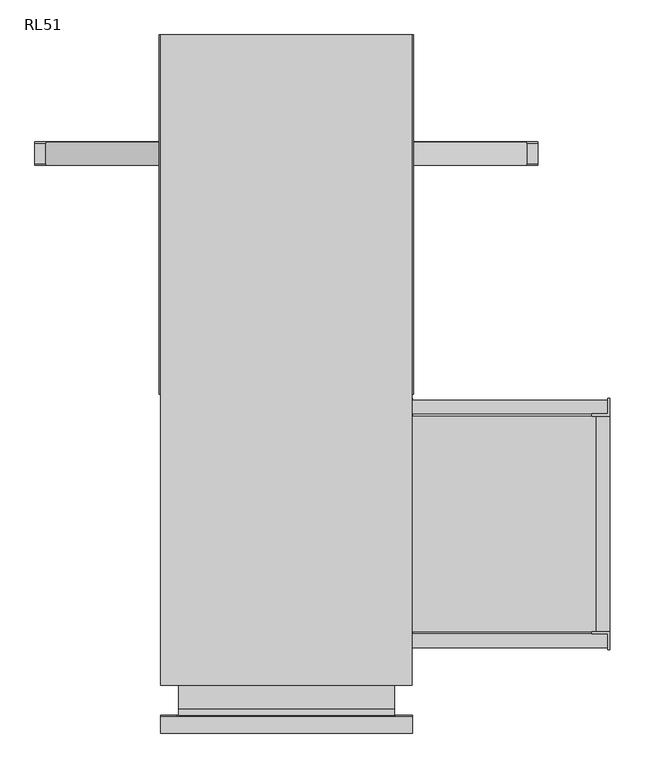
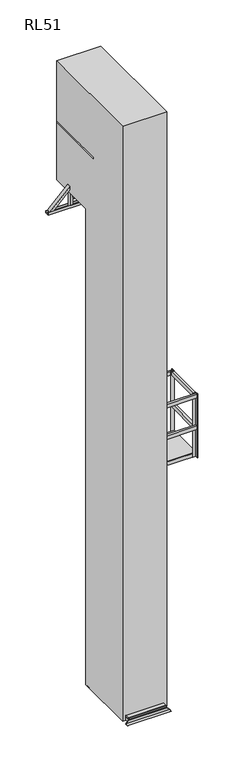
"""IFC4 building model written with IfcOpenShell, lengths in millimetres: proxy geometry, RL51."""

import ifcopenshell
import ifcopenshell.guid

model = None  # the IFC model being written
_history = None  # IfcOwnerHistory: only IFC2X3 demands one
_inside = {}  # id of a spatial element -> (the spatial element, [elements in it])
_under = {}  # id of a project, library or spatial element -> (it, [spatial elements below it])
_declared = {}  # id of a project -> (the project, [libraries it declares])
_typed = {}  # id of a type object -> (the type object, [elements of that type])
_made_of = {}  # id of a material, layer set ... -> (it, [elements and type objects made of it])


def new_model(schema):
    """Start an empty IFC model of exactly this schema.

    Asked for "IFC4X3", IfcOpenShell would pick the latest addendum, in which some entities
    have other attributes; the version numbers below select the first issue.
    IFC2X3 requires an IfcOwnerHistory on every rooted entity: one is made here for all.
    """
    global model, _history
    if schema == "IFC4X3":
        model = ifcopenshell.file(schema_version=(4, 3, 0, 0))
    else:
        model = ifcopenshell.file(schema=schema)
    _inside.clear()
    _under.clear()
    _declared.clear()
    _typed.clear()
    _made_of.clear()
    _history = None
    if model.schema == "IFC2X3":
        org = make("IfcOrganization", Name="unknown")
        user = make(
            "IfcPersonAndOrganization",
            ThePerson=make("IfcPerson", FamilyName="unknown"),
            TheOrganization=org,
        )
        app = make(
            "IfcApplication",
            ApplicationDeveloper=org,
            Version="unknown",
            ApplicationFullName="unknown",
            ApplicationIdentifier="unknown",
        )
        _history = make(
            "IfcOwnerHistory",
            OwningUser=user,
            OwningApplication=app,
            ChangeAction="ADDED",
            CreationDate=0,
        )
    return model


def make(cls, **values):
    """One entity of the class cls with the attributes given. An attribute that is None is left unset."""
    return model.create_entity(
        cls, **{name: value for name, value in values.items() if value is not None}
    )


def rooted(cls, **values):
    """An entity with a GlobalId (a new one), such as an element, a storey or a relation."""
    return make(cls, GlobalId=ifcopenshell.guid.new(), OwnerHistory=_history, **values)


def si_unit(unit_type, name, prefix=None):
    """IfcSIUnit, for example si_unit("LENGTHUNIT", "METRE", prefix="MILLI")."""
    return make("IfcSIUnit", UnitType=unit_type, Prefix=prefix, Name=name)


def assignment(units):
    """IfcUnitAssignment: the units of a project."""
    return None if units is None else make("IfcUnitAssignment", Units=units)


def point(xyz):
    """IfcCartesianPoint."""
    return None if xyz is None else make("IfcCartesianPoint", Coordinates=xyz)


def direction(xyz):
    """IfcDirection."""
    return None if xyz is None else make("IfcDirection", DirectionRatios=xyz)


def frame(location, z_axis=None, x_axis=None):
    """IfcAxis2Placement3D, a coordinate frame: its origin and axes. An axis left out is left unset."""
    return make(
        "IfcAxis2Placement3D",
        Location=point(location),
        Axis=direction(z_axis),
        RefDirection=direction(x_axis),
    )


def frame_2d(location, x_axis=None):
    """IfcAxis2Placement2D, a coordinate frame in the plane: its origin and x axis."""
    return make(
        "IfcAxis2Placement2D", Location=point(location), RefDirection=direction(x_axis)
    )


def origin():
    """The frame at (0, 0, 0) with its axes left unset."""
    return frame((0.0, 0.0, 0.0))


def origin_with_axes():
    """The frame at (0, 0, 0) with the z axis (0, 0, 1) and the x axis (1, 0, 0) written out."""
    return frame((0.0, 0.0, 0.0), z_axis=(0.0, 0.0, 1.0), x_axis=(1.0, 0.0, 0.0))


def place(relative_to, where):
    """IfcLocalPlacement: puts the frame where relative to a parent placement (None: the world)."""
    return make(
        "IfcLocalPlacement", PlacementRelTo=relative_to, RelativePlacement=where
    )


def context(
    kind, dimensions, precision=None, world=None, true_north=None, identifier=None
):
    """IfcGeometricRepresentationContext, for example the 3D "Model" context."""
    return make(
        "IfcGeometricRepresentationContext",
        ContextIdentifier=identifier,
        ContextType=kind,
        CoordinateSpaceDimension=dimensions,
        Precision=precision,
        WorldCoordinateSystem=world,
        TrueNorth=true_north,
    )


def project(units=None, contexts=None):
    """IfcProject with its units and contexts."""
    return rooted(
        "IfcProject",
        Name="project",
        RepresentationContexts=contexts,
        UnitsInContext=assignment(units),
    )


def spatial(cls, under=None, at=None, **own):
    """A site, building, storey or space (cls), placed at a placement, below another one or the project."""
    s = rooted(cls, ObjectPlacement=at, **own)
    if under is not None:
        _under.setdefault(under.id(), (under, []))[1].append(s)
    return s


def polyline(points):
    """IfcPolyline through the points."""
    return make("IfcPolyline", Points=[point(p) for p in points])


def circle_curve(where, radius):
    """IfcCircle in the frame where."""
    return make("IfcCircle", Position=where, Radius=radius)


def trimmed(basis, trim1, trim2, sense, master):
    """IfcTrimmedCurve: the piece of a basis curve between two trims."""
    return make(
        "IfcTrimmedCurve",
        BasisCurve=basis,
        Trim1=trim1,
        Trim2=trim2,
        SenseAgreement=sense,
        MasterRepresentation=master,
    )


def segment(curve, same_sense, transition):
    """IfcCompositeCurveSegment."""
    return make(
        "IfcCompositeCurveSegment",
        Transition=transition,
        SameSense=same_sense,
        ParentCurve=curve,
    )


def composite_curve(segments, self_intersect=None):
    """IfcCompositeCurve: segments joined end to end."""
    return make("IfcCompositeCurve", Segments=segments, SelfIntersect=self_intersect)


def outline(outer, holes=None, kind="AREA"):
    """IfcArbitraryClosedProfileDef: a profile drawn as a closed curve; with holes, ...WithVoids."""
    if holes is None:
        return make("IfcArbitraryClosedProfileDef", ProfileType=kind, OuterCurve=outer)
    return make(
        "IfcArbitraryProfileDefWithVoids",
        ProfileType=kind,
        OuterCurve=outer,
        InnerCurves=holes,
    )


def extrude(swept, where, along, depth):
    """IfcExtrudedAreaSolid: the profile swept, set in the frame where, extruded along a direction by depth."""
    return make(
        "IfcExtrudedAreaSolid",
        SweptArea=swept,
        Position=where,
        ExtrudedDirection=direction(along),
        Depth=depth,
    )


def faces_of(points, faces, orient=None, outer=None):
    """IfcFace entities. A face is a list of loops; a loop is a list of indices into points, from 0.

    orient and outer hold one flag for each loop. By default every Orientation is true, the
    first loop of a face is its IfcFaceOuterBound and the others are IfcFaceBound.
    """
    made = []
    for i, loops in enumerate(faces):
        bounds = []
        for j, loop in enumerate(loops):
            is_outer = j == 0 if outer is None else outer[i][j]
            bounds.append(
                make(
                    "IfcFaceOuterBound" if is_outer else "IfcFaceBound",
                    Bound=make("IfcPolyLoop", Polygon=[points[k] for k in loop]),
                    Orientation=True if orient is None else orient[i][j],
                )
            )
        made.append(make("IfcFace", Bounds=bounds))
    return made


def faceted_brep(points, faces, orient=None, outer=None, voids=None):
    """IfcFacetedBrep: a solid bounded by flat faces; with voids (closed shells), ...WithVoids."""
    shared = [point(p) for p in points]
    hull = make("IfcClosedShell", CfsFaces=faces_of(shared, faces, orient, outer))
    if voids is None:
        return make("IfcFacetedBrep", Outer=hull)
    return make(
        "IfcFacetedBrepWithVoids",
        Outer=hull,
        Voids=[
            make(cls, CfsFaces=faces_of(shared, fs, o, b)) for cls, fs, o, b in voids
        ],
    )


def shape(context_of_items, identifier, shape_type, items):
    """IfcShapeRepresentation: the items that make up one representation, for example the "Body"."""
    return make(
        "IfcShapeRepresentation",
        ContextOfItems=context_of_items,
        RepresentationIdentifier=identifier,
        RepresentationType=shape_type,
        Items=items,
    )


def source(mapping_origin, context_of_items, identifier, shape_type, items):
    """IfcRepresentationMap: a shape defined once, which mapped items show again and again."""
    return make(
        "IfcRepresentationMap",
        MappingOrigin=mapping_origin,
        MappedRepresentation=shape(context_of_items, identifier, shape_type, items),
    )


def transform(
    local_origin,
    x_axis=None,
    y_axis=None,
    z_axis=None,
    scale=None,
    scale2=None,
    scale3=None,
    uniform=True,
):
    """IfcCartesianTransformationOperator3D, or its non-uniform kind. x_axis, y_axis, z_axis: its Axis1, 2, 3."""
    if uniform:
        return make(
            "IfcCartesianTransformationOperator3D",
            Axis1=direction(x_axis),
            Axis2=direction(y_axis),
            LocalOrigin=point(local_origin),
            Scale=scale,
            Axis3=direction(z_axis),
        )
    return make(
        "IfcCartesianTransformationOperator3DnonUniform",
        Axis1=direction(x_axis),
        Axis2=direction(y_axis),
        LocalOrigin=point(local_origin),
        Scale=scale,
        Axis3=direction(z_axis),
        Scale2=scale2,
        Scale3=scale3,
    )


def mapped(mapping_source, mapping_target):
    """IfcMappedItem: shows the shape of a source again, moved by a transform."""
    return make(
        "IfcMappedItem", MappingSource=mapping_source, MappingTarget=mapping_target
    )


def made_of(thing, what):
    """Note that an element or type object is made of a material, layer set ...; save() writes the relation."""
    if what is not None:
        _made_of.setdefault(what.id(), (what, []))[1].append(thing)
    return thing


def element(
    cls,
    number,
    at=None,
    inside=None,
    cuts=None,
    type_object=None,
    material=None,
    context=None,
    identifier="Body",
    shape_type=None,
    held_by="IfcProductDefinitionShape",
    body=None,
    shapes=None,
    **own,
):
    """One element of the class cls, such as IfcWall. Its Tag is "e" and its number.

    at: its placement. inside: the storey or other place that contains it. cuts: it is an
    opening in that element (IfcRelVoidsElement). A single representation is given by context,
    identifier, shape_type and body (its items); several are given by shapes. held_by: the class
    of the entity that holds the representations. save() writes the other relations.
    """
    e = rooted(cls, Tag="e%d" % number, ObjectPlacement=at, **own)
    if body is not None:
        shapes = [shape(context, identifier, shape_type, body)]
    if shapes is not None:
        e.Representation = make(held_by, Representations=shapes)
    if inside is not None:
        _inside.setdefault(inside.id(), (inside, []))[1].append(e)
    if cuts is not None:
        rooted(
            "IfcRelVoidsElement", RelatingBuildingElement=cuts, RelatedOpeningElement=e
        )
    if type_object is not None:
        _typed.setdefault(type_object.id(), (type_object, []))[1].append(e)
    return made_of(e, material)


def aggregate(whole, parts):
    """IfcRelAggregates: a whole, such as a stair, and the parts it consists of."""
    return rooted("IfcRelAggregates", RelatingObject=whole, RelatedObjects=parts)


def save(model, path):
    """Write the relations noted so far, then the file.

    IfcRelAggregates (storeys below a building ...), IfcRelContainedInSpatialStructure (elements
    in a storey), IfcRelDefinesByType, IfcRelAssociatesMaterial and IfcRelDeclares: one each for
    every whole, place, type object, material and project.
    """
    for whole, parts in _under.values():
        aggregate(whole, parts)
    for where, things in _inside.values():
        rooted(
            "IfcRelContainedInSpatialStructure",
            RelatedElements=things,
            RelatingStructure=where,
        )
    for kind, things in _typed.values():
        rooted("IfcRelDefinesByType", RelatedObjects=things, RelatingType=kind)
    for what, things in _made_of.values():
        rooted("IfcRelAssociatesMaterial", RelatedObjects=things, RelatingMaterial=what)
    for by, libraries in _declared.values():
        rooted("IfcRelDeclares", RelatingContext=by, RelatedDefinitions=libraries)
    model.write(path)


def plane_surface(at):
    """IfcPlane: the flat surface through the origin of the frame at, square to its z axis."""
    return make("IfcPlane", Position=at)


def cylinder_surface(at, radius):
    """IfcCylindricalSurface: all points at the distance radius from the z axis of the frame at."""
    return make("IfcCylindricalSurface", Position=at, Radius=radius)


def advanced_brep(points, edges, surfaces, faces):
    """IfcAdvancedBrep: a solid bounded by faces that lie on surfaces and meet in shared edges.

    An edge is (start, end): straight between two places in points (the first is 0);
    or (start, end, curve); or (start, end, curve, False) where it runs against its curve.
    A face is (place in surfaces, loops), or (place, loops, False) where it looks against
    its surface's normal. A loop lists edges by number (the first is 1), with a minus sign
    where the edge is run from its end to its start. The first loop is the outer one.
    """
    corners = [point(p) for p in points]
    vertices = [make("IfcVertexPoint", VertexGeometry=c) for c in corners]
    made = []
    for start, end, *more in edges:
        made.append(
            make(
                "IfcEdgeCurve",
                EdgeStart=vertices[start],
                EdgeEnd=vertices[end],
                EdgeGeometry=more[0] if more else make("IfcPolyline", Points=[corners[start], corners[end]]),
                SameSense=more[1] if len(more) > 1 else True,
            )
        )
    hull = []
    for where, loops, *sense in faces:
        bounds = []
        for j, loop in enumerate(loops):
            ring = [make("IfcOrientedEdge", EdgeElement=made[abs(k) - 1], Orientation=k > 0) for k in loop]
            bounds.append(
                make(
                    "IfcFaceOuterBound" if j == 0 else "IfcFaceBound",
                    Bound=make("IfcEdgeLoop", EdgeList=ring),
                    Orientation=True,
                )
            )
        hull.append(make("IfcAdvancedFace", Bounds=bounds, FaceSurface=surfaces[where], SameSense=sense[0] if sense else True))
    return make("IfcAdvancedBrep", Outer=make("IfcClosedShell", CfsFaces=hull))


def rl51_604b768d(model_context):
    return source(origin(), model_context, "Body", "SolidModel", [
        extrude(outline(polyline([(300.5, -890.5), (-300.5, -890.5), (-300.5, 109.5), (300.5, 109.5), (300.5, -890.5)]), holes=[polyline([(262.5, 71.5), (-262.5, 71.5), (-262.5, -371.5), (262.5, -371.5), (262.5, 71.5)]), polyline([(262.5, -852.5), (262.5, -409.5), (-262.5, -409.5), (-262.5, -852.5), (262.5, -852.5)])]), origin_with_axes(), (0.0, 0.0, 1.0), 58.0),
        faceted_brep([(-350.5, 112.5, 3.0), (-350.5, 109.5, 3.0), (-303.5, 109.5, 50.0), (-303.5, 112.5, 50.0), (350.5, 109.5, 3.0), (350.5, 112.5, 3.0), (303.5, 112.5, 50.0), (303.5, 109.5, 50.0), (350.5, 159.5, 0.0), (350.5, 159.5, 3.0), (350.5, 109.5, 0.0), (-350.5, 159.5, 0.0), (-350.5, 109.5, 0.0), (-350.5, 159.5, 3.0)], [[[0, 1, 2, 3]], [[4, 5, 6, 7]], [[8, 9, 5, 4, 10]], [[11, 12, 1, 0, 13]], [[9, 8, 11, 13]], [[5, 9, 13, 0]], [[5, 0, 3, 6]], [[6, 3, 2, 7]], [[12, 10, 4, 7, 2, 1]], [[8, 10, 12, 11]]]),
        faceted_brep([(-350.5, -890.5, 3.0), (-350.5, -893.5, 3.0), (-303.5, -893.5, 50.0), (-303.5, -890.5, 50.0), (350.5, -893.5, 3.0), (350.5, -890.5, 3.0), (303.5, -890.5, 50.0), (303.5, -893.5, 50.0), (350.5, -940.5, 0.0), (350.5, -890.5, 0.0), (350.5, -940.5, 3.0), (-350.5, -940.5, 0.0), (-350.5, -940.5, 3.0), (-350.5, -890.5, 0.0)], [[[0, 1, 2, 3]], [[4, 5, 6, 7]], [[8, 9, 5, 4, 10]], [[11, 12, 1, 0, 13]], [[9, 8, 11, 13]], [[9, 13, 0, 3, 6, 5]], [[6, 3, 2, 7]], [[1, 4, 7, 2]], [[10, 4, 1, 12]], [[8, 10, 12, 11]]]),
        extrude(outline(polyline([(300.5, 91.5), (300.5, -872.5), (-300.5, -872.5), (-300.5, 91.5), (300.5, 91.5)])), frame((0.0, 0.0, 58.0), z_axis=(0.0, 0.0, 1.0), x_axis=(1.0, 0.0, 0.0)), (0.0, 0.0, 1.0), 18.5),
        extrude(outline(polyline([(300.5, -872.5), (300.5, -890.5), (-300.5, -890.5), (-300.5, -872.5), (300.5, -872.5)])), frame((0.0, 0.0, 58.0), z_axis=(0.0, 0.0, 1.0), x_axis=(1.0, 0.0, 0.0)), (0.0, 0.0, 1.0), 18.5),
        extrude(outline(polyline([(300.5, 109.5), (300.5, 91.5), (-300.5, 91.5), (-300.5, 109.5), (300.5, 109.5)])), frame((0.0, 0.0, 58.0), z_axis=(0.0, 0.0, 1.0), x_axis=(1.0, 0.0, 0.0)), (0.0, 0.0, 1.0), 18.5),
        extrude(outline(polyline([(900.5, -59.5), (900.5, -659.5), (300.5, -659.5), (300.5, -59.5), (900.5, -59.5)])), frame((0.0, 0.0, 3987.0), z_axis=(0.0, 0.0, 1.0), x_axis=(1.0, 0.0, 0.0)), (0.0, 0.0, 1.0), 13.0),
        extrude(outline(polyline([(900.5, -659.5), (862.5, -659.5), (862.5, -59.5), (900.5, -59.5), (900.5, -659.5)])), frame((0.0, 0.0, 4403.0), z_axis=(0.0, 0.0, 1.0), x_axis=(1.0, 0.0, 0.0)), (0.0, 0.0, 1.0), 58.0),
        extrude(outline(polyline([(894.5, -15.5), (894.5, -53.5), (306.5, -53.5), (306.5, -15.5), (894.5, -15.5)])), frame((0.0, 0.0, 4403.0), z_axis=(0.0, 0.0, 1.0), x_axis=(1.0, 0.0, 0.0)), (0.0, 0.0, 1.0), 58.0),
        extrude(outline(polyline([(894.5, -15.5), (894.5, -53.5), (306.5, -53.5), (306.5, -15.5), (894.5, -15.5)])), frame((0.0, 0.0, 4934.0), z_axis=(0.0, 0.0, 1.0), x_axis=(1.0, 0.0, 0.0)), (0.0, 0.0, 1.0), 58.0),
        extrude(outline(polyline([(900.5, -659.5), (862.5, -659.5), (862.5, -59.5), (900.5, -59.5), (900.5, -659.5)])), frame((0.0, 0.0, 4934.0), z_axis=(0.0, 0.0, 1.0), x_axis=(1.0, 0.0, 0.0)), (0.0, 0.0, 1.0), 58.0),
        extrude(outline(polyline([(850.5, -59.5), (850.5, -53.5), (894.5, -53.5), (894.5, -9.5), (900.5, -9.5), (900.5, -59.5), (850.5, -59.5)])), frame((0.0, 0.0, 3929.0), z_axis=(0.0, 0.0, 1.0), x_axis=(1.0, 0.0, 0.0)), (0.0, 0.0, 1.0), 1071.0),
        extrude(outline(polyline([(350.5, -659.5), (350.5, -665.5), (306.5, -665.5), (306.5, -709.5), (300.5, -709.5), (300.5, -659.5), (350.5, -659.5)])), frame((0.0, 0.0, 3929.0), z_axis=(0.0, 0.0, 1.0), x_axis=(1.0, 0.0, 0.0)), (0.0, 0.0, 1.0), 1071.0),
        extrude(outline(polyline([(850.5, -659.5), (900.5, -659.5), (900.5, -709.5), (894.5, -709.5), (894.5, -665.5), (850.5, -665.5), (850.5, -659.5)])), frame((0.0, 0.0, 3929.0), z_axis=(0.0, 0.0, 1.0), x_axis=(1.0, 0.0, 0.0)), (0.0, 0.0, 1.0), 1071.0),
        extrude(outline(polyline([(0.0, -50.0), (0.0, 0.0), (50.0, 0.0), (50.0, -5.0), (5.0, -5.0), (5.0, -50.0), (0.0, -50.0)])), frame((300.5, -9.5, 2949.0), z_axis=(0.0, -0.5466781976615285, 0.8373427901412556), x_axis=(1.0, 0.0, 0.0)), (0.0, 0.0, 1.0), 1188.9993103),
        extrude(outline(polyline([(350.5, -59.5), (300.5, -59.5), (300.5, -9.5), (306.5, -9.5), (306.5, -53.5), (350.5, -53.5), (350.5, -59.5)])), frame((0.0, 0.0, 3929.0), z_axis=(0.0, 0.0, 1.0), x_axis=(1.0, 0.0, 0.0)), (0.0, 0.0, 1.0), 1071.0),
        extrude(outline(polyline([(862.5, -59.5), (862.5, -97.5), (338.5, -97.5), (338.5, -59.5), (862.5, -59.5)])), frame((0.0, 0.0, 3929.0), z_axis=(0.0, 0.0, 1.0), x_axis=(1.0, 0.0, 0.0)), (0.0, 0.0, 1.0), 58.0),
        extrude(outline(polyline([(338.5, -659.5), (300.5, -659.5), (300.5, -59.5), (338.5, -59.5), (338.5, -659.5)])), frame((0.0, 0.0, 3929.0), z_axis=(0.0, 0.0, 1.0), x_axis=(1.0, 0.0, 0.0)), (0.0, 0.0, 1.0), 58.0),
        extrude(outline(polyline([(900.5, -659.5), (862.5, -659.5), (862.5, -59.5), (900.5, -59.5), (900.5, -659.5)])), frame((0.0, 0.0, 3929.0), z_axis=(0.0, 0.0, 1.0), x_axis=(1.0, 0.0, 0.0)), (0.0, 0.0, 1.0), 58.0),
        extrude(outline(polyline([(894.5, -621.5), (894.5, -659.5), (306.5, -659.5), (306.5, -621.5), (894.5, -621.5)])), frame((0.0, 0.0, 3929.0), z_axis=(0.0, 0.0, 1.0), x_axis=(1.0, 0.0, 0.0)), (0.0, 0.0, 1.0), 58.0),
        extrude(outline(polyline([(894.5, -665.5), (894.5, -703.5), (306.5, -703.5), (306.5, -665.5), (894.5, -665.5)])), frame((0.0, 0.0, 4403.0), z_axis=(0.0, 0.0, 1.0), x_axis=(1.0, 0.0, 0.0)), (0.0, 0.0, 1.0), 58.0),
        extrude(outline(polyline([(894.5, -665.5), (894.5, -703.5), (306.5, -703.5), (306.5, -665.5), (894.5, -665.5)])), frame((0.0, 0.0, 4934.0), z_axis=(0.0, 0.0, 1.0), x_axis=(1.0, 0.0, 0.0)), (0.0, 0.0, 1.0), 58.0),
        extrude(outline(polyline([(0.0, 2405.0), (0.0, 2347.0), (-5.0, 2347.0), (-5.0, 2400.0), (-91.0, 2400.0), (-91.0, 2405.0), (0.0, 2405.0)])), frame((-262.5, 0.0, 0.0), z_axis=(1.0, 0.0, 0.0), x_axis=(0.0, 1.0, 0.0)), (0.0, 0.0, 1.0), 525.0),
        extrude(outline(polyline([(262.5, -93.0), (-262.5, -93.0), (-262.5, -91.0), (262.5, -91.0), (262.5, -93.0)])), frame((0.0, 0.0, 110.0), z_axis=(0.0, 0.0, 1.0), x_axis=(1.0, 0.0, 0.0)), (0.0, 0.0, 1.0), 2295.0),
        extrude(outline(polyline([(262.5, -91.0), (204.5, -91.0), (204.5, -53.0), (262.5, -53.0), (262.5, -91.0)])), frame((0.0, 0.0, 110.0), z_axis=(0.0, 0.0, 1.0), x_axis=(1.0, 0.0, 0.0)), (0.0, 0.0, 1.0), 2285.0),
        extrude(outline(polyline([(-204.5, -91.0), (-262.5, -91.0), (-262.5, -53.0), (-204.5, -53.0), (-204.5, -91.0)])), frame((0.0, 0.0, 110.0), z_axis=(0.0, 0.0, 1.0), x_axis=(1.0, 0.0, 0.0)), (0.0, 0.0, 1.0), 2285.0),
        extrude(outline(composite_curve([segment(polyline([(-53.0, 7671.1346154), (-53.0, 7688.1346154)]), True, "CONTINUOUS"), segment(trimmed(circle_curve(frame_2d((-30.5, 7675.1634615)), 25.9711538), [point((-53.0, 7688.1346154))], [point((-8.0, 7688.1346154))], False, "CARTESIAN"), True, "CONTINUOUS"), segment(polyline([(-8.0, 7688.1346154), (-8.0, 7671.1346154), (-53.0, 7671.1346154)]), True, "CONTINUOUS")], self_intersect=False)), frame((-262.0, 0.0, 0.0), z_axis=(1.0, 0.0, 0.0), x_axis=(0.0, 1.0, 0.0)), (0.0, 0.0, 1.0), 524.0),
        extrude(outline(composite_curve([segment(polyline([(-53.0, 7372.2692308), (-53.0, 7389.2692308)]), True, "CONTINUOUS"), segment(trimmed(circle_curve(frame_2d((-30.5, 7376.2980769)), 25.9711538), [point((-53.0, 7389.2692308))], [point((-8.0, 7389.2692308))], False, "CARTESIAN"), True, "CONTINUOUS"), segment(polyline([(-8.0, 7389.2692308), (-8.0, 7372.2692308), (-53.0, 7372.2692308)]), True, "CONTINUOUS")], self_intersect=False)), frame((-262.0, 0.0, 0.0), z_axis=(1.0, 0.0, 0.0), x_axis=(0.0, 1.0, 0.0)), (0.0, 0.0, 1.0), 524.0),
        extrude(outline(composite_curve([segment(polyline([(-53.0, 7073.4038462), (-53.0, 7090.4038462)]), True, "CONTINUOUS"), segment(trimmed(circle_curve(frame_2d((-30.5, 7077.4326923)), 25.9711538), [point((-53.0, 7090.4038462))], [point((-8.0, 7090.4038462))], False, "CARTESIAN"), True, "CONTINUOUS"), segment(polyline([(-8.0, 7090.4038462), (-8.0, 7073.4038462), (-53.0, 7073.4038462)]), True, "CONTINUOUS")], self_intersect=False)), frame((-262.0, 0.0, 0.0), z_axis=(1.0, 0.0, 0.0), x_axis=(0.0, 1.0, 0.0)), (0.0, 0.0, 1.0), 524.0),
        extrude(outline(composite_curve([segment(polyline([(-53.0, 6774.5384615), (-53.0, 6791.5384615)]), True, "CONTINUOUS"), segment(trimmed(circle_curve(frame_2d((-30.5, 6778.5673077)), 25.9711538), [point((-53.0, 6791.5384615))], [point((-8.0, 6791.5384615))], False, "CARTESIAN"), True, "CONTINUOUS"), segment(polyline([(-8.0, 6791.5384615), (-8.0, 6774.5384615), (-53.0, 6774.5384615)]), True, "CONTINUOUS")], self_intersect=False)), frame((-262.0, 0.0, 0.0), z_axis=(1.0, 0.0, 0.0), x_axis=(0.0, 1.0, 0.0)), (0.0, 0.0, 1.0), 524.0),
        extrude(outline(composite_curve([segment(polyline([(-53.0, 6475.6730769), (-53.0, 6492.6730769)]), True, "CONTINUOUS"), segment(trimmed(circle_curve(frame_2d((-30.5, 6479.7019231)), 25.9711538), [point((-53.0, 6492.6730769))], [point((-8.0, 6492.6730769))], False, "CARTESIAN"), True, "CONTINUOUS"), segment(polyline([(-8.0, 6492.6730769), (-8.0, 6475.6730769), (-53.0, 6475.6730769)]), True, "CONTINUOUS")], self_intersect=False)), frame((-262.0, 0.0, 0.0), z_axis=(1.0, 0.0, 0.0), x_axis=(0.0, 1.0, 0.0)), (0.0, 0.0, 1.0), 524.0),
        extrude(outline(composite_curve([segment(polyline([(-53.0, 6176.8076923), (-53.0, 6193.8076923)]), True, "CONTINUOUS"), segment(trimmed(circle_curve(frame_2d((-30.5, 6180.8365385)), 25.9711538), [point((-53.0, 6193.8076923))], [point((-8.0, 6193.8076923))], False, "CARTESIAN"), True, "CONTINUOUS"), segment(polyline([(-8.0, 6193.8076923), (-8.0, 6176.8076923), (-53.0, 6176.8076923)]), True, "CONTINUOUS")], self_intersect=False)), frame((-262.0, 0.0, 0.0), z_axis=(1.0, 0.0, 0.0), x_axis=(0.0, 1.0, 0.0)), (0.0, 0.0, 1.0), 524.0),
        extrude(outline(composite_curve([segment(polyline([(-53.0, 5877.9423077), (-53.0, 5894.9423077)]), True, "CONTINUOUS"), segment(trimmed(circle_curve(frame_2d((-30.5, 5881.9711538)), 25.9711538), [point((-53.0, 5894.9423077))], [point((-8.0, 5894.9423077))], False, "CARTESIAN"), True, "CONTINUOUS"), segment(polyline([(-8.0, 5894.9423077), (-8.0, 5877.9423077), (-53.0, 5877.9423077)]), True, "CONTINUOUS")], self_intersect=False)), frame((-262.0, 0.0, 0.0), z_axis=(1.0, 0.0, 0.0), x_axis=(0.0, 1.0, 0.0)), (0.0, 0.0, 1.0), 524.0),
        extrude(outline(composite_curve([segment(polyline([(-53.0, 5579.0769231), (-53.0, 5596.0769231)]), True, "CONTINUOUS"), segment(trimmed(circle_curve(frame_2d((-30.5, 5583.1057692)), 25.9711538), [point((-53.0, 5596.0769231))], [point((-8.0, 5596.0769231))], False, "CARTESIAN"), True, "CONTINUOUS"), segment(polyline([(-8.0, 5596.0769231), (-8.0, 5579.0769231), (-53.0, 5579.0769231)]), True, "CONTINUOUS")], self_intersect=False)), frame((-262.0, 0.0, 0.0), z_axis=(1.0, 0.0, 0.0), x_axis=(0.0, 1.0, 0.0)), (0.0, 0.0, 1.0), 524.0),
        extrude(outline(composite_curve([segment(polyline([(-53.0, 5280.2115385), (-53.0, 5297.2115385)]), True, "CONTINUOUS"), segment(trimmed(circle_curve(frame_2d((-30.5, 5284.2403846)), 25.9711538), [point((-53.0, 5297.2115385))], [point((-8.0, 5297.2115385))], False, "CARTESIAN"), True, "CONTINUOUS"), segment(polyline([(-8.0, 5297.2115385), (-8.0, 5280.2115385), (-53.0, 5280.2115385)]), True, "CONTINUOUS")], self_intersect=False)), frame((-262.0, 0.0, 0.0), z_axis=(1.0, 0.0, 0.0), x_axis=(0.0, 1.0, 0.0)), (0.0, 0.0, 1.0), 524.0),
        extrude(outline(composite_curve([segment(polyline([(-53.0, 4981.3461538), (-53.0, 4998.3461538)]), True, "CONTINUOUS"), segment(trimmed(circle_curve(frame_2d((-30.5, 4985.375)), 25.9711538), [point((-53.0, 4998.3461538))], [point((-8.0, 4998.3461538))], False, "CARTESIAN"), True, "CONTINUOUS"), segment(polyline([(-8.0, 4998.3461538), (-8.0, 4981.3461538), (-53.0, 4981.3461538)]), True, "CONTINUOUS")], self_intersect=False)), frame((-262.0, 0.0, 0.0), z_axis=(1.0, 0.0, 0.0), x_axis=(0.0, 1.0, 0.0)), (0.0, 0.0, 1.0), 524.0),
        extrude(outline(composite_curve([segment(polyline([(-53.0, 4682.4807692), (-53.0, 4699.4807692)]), True, "CONTINUOUS"), segment(trimmed(circle_curve(frame_2d((-30.5, 4686.5096154)), 25.9711538), [point((-53.0, 4699.4807692))], [point((-8.0, 4699.4807692))], False, "CARTESIAN"), True, "CONTINUOUS"), segment(polyline([(-8.0, 4699.4807692), (-8.0, 4682.4807692), (-53.0, 4682.4807692)]), True, "CONTINUOUS")], self_intersect=False)), frame((-262.0, 0.0, 0.0), z_axis=(1.0, 0.0, 0.0), x_axis=(0.0, 1.0, 0.0)), (0.0, 0.0, 1.0), 524.0),
        extrude(outline(composite_curve([segment(polyline([(-53.0, 4383.6153846), (-53.0, 4400.6153846)]), True, "CONTINUOUS"), segment(trimmed(circle_curve(frame_2d((-30.5, 4387.6442308)), 25.9711538), [point((-53.0, 4400.6153846))], [point((-8.0, 4400.6153846))], False, "CARTESIAN"), True, "CONTINUOUS"), segment(polyline([(-8.0, 4400.6153846), (-8.0, 4383.6153846), (-53.0, 4383.6153846)]), True, "CONTINUOUS")], self_intersect=False)), frame((-262.0, 0.0, 0.0), z_axis=(1.0, 0.0, 0.0), x_axis=(0.0, 1.0, 0.0)), (0.0, 0.0, 1.0), 524.0),
        extrude(outline(composite_curve([segment(polyline([(-53.0, 4084.75), (-53.0, 4101.75)]), True, "CONTINUOUS"), segment(trimmed(circle_curve(frame_2d((-30.5, 4088.7788462)), 25.9711538), [point((-53.0, 4101.75))], [point((-8.0, 4101.75))], False, "CARTESIAN"), True, "CONTINUOUS"), segment(polyline([(-8.0, 4101.75), (-8.0, 4084.75), (-53.0, 4084.75)]), True, "CONTINUOUS")], self_intersect=False)), frame((-262.0, 0.0, 0.0), z_axis=(1.0, 0.0, 0.0), x_axis=(0.0, 1.0, 0.0)), (0.0, 0.0, 1.0), 524.0),
        extrude(outline(composite_curve([segment(polyline([(-53.0, 3785.8846154), (-53.0, 3802.8846154)]), True, "CONTINUOUS"), segment(trimmed(circle_curve(frame_2d((-30.5, 3789.9134615)), 25.9711538), [point((-53.0, 3802.8846154))], [point((-8.0, 3802.8846154))], False, "CARTESIAN"), True, "CONTINUOUS"), segment(polyline([(-8.0, 3802.8846154), (-8.0, 3785.8846154), (-53.0, 3785.8846154)]), True, "CONTINUOUS")], self_intersect=False)), frame((-262.0, 0.0, 0.0), z_axis=(1.0, 0.0, 0.0), x_axis=(0.0, 1.0, 0.0)), (0.0, 0.0, 1.0), 524.0),
        extrude(outline(composite_curve([segment(polyline([(-53.0, 3487.0192308), (-53.0, 3504.0192308)]), True, "CONTINUOUS"), segment(trimmed(circle_curve(frame_2d((-30.5, 3491.0480769)), 25.9711538), [point((-53.0, 3504.0192308))], [point((-8.0, 3504.0192308))], False, "CARTESIAN"), True, "CONTINUOUS"), segment(polyline([(-8.0, 3504.0192308), (-8.0, 3487.0192308), (-53.0, 3487.0192308)]), True, "CONTINUOUS")], self_intersect=False)), frame((-262.0, 0.0, 0.0), z_axis=(1.0, 0.0, 0.0), x_axis=(0.0, 1.0, 0.0)), (0.0, 0.0, 1.0), 524.0),
        extrude(outline(composite_curve([segment(polyline([(-53.0, 3188.1538462), (-53.0, 3205.1538462)]), True, "CONTINUOUS"), segment(trimmed(circle_curve(frame_2d((-30.5, 3192.1826923)), 25.9711538), [point((-53.0, 3205.1538462))], [point((-8.0, 3205.1538462))], False, "CARTESIAN"), True, "CONTINUOUS"), segment(polyline([(-8.0, 3205.1538462), (-8.0, 3188.1538462), (-53.0, 3188.1538462)]), True, "CONTINUOUS")], self_intersect=False)), frame((-262.0, 0.0, 0.0), z_axis=(1.0, 0.0, 0.0), x_axis=(0.0, 1.0, 0.0)), (0.0, 0.0, 1.0), 524.0),
        extrude(outline(composite_curve([segment(polyline([(-53.0, 2889.2884615), (-53.0, 2906.2884615)]), True, "CONTINUOUS"), segment(trimmed(circle_curve(frame_2d((-30.5, 2893.3173077)), 25.9711538), [point((-53.0, 2906.2884615))], [point((-8.0, 2906.2884615))], False, "CARTESIAN"), True, "CONTINUOUS"), segment(polyline([(-8.0, 2906.2884615), (-8.0, 2889.2884615), (-53.0, 2889.2884615)]), True, "CONTINUOUS")], self_intersect=False)), frame((-262.0, 0.0, 0.0), z_axis=(1.0, 0.0, 0.0), x_axis=(0.0, 1.0, 0.0)), (0.0, 0.0, 1.0), 524.0),
        extrude(outline(composite_curve([segment(polyline([(-53.0, 2590.4230769), (-53.0, 2607.4230769)]), True, "CONTINUOUS"), segment(trimmed(circle_curve(frame_2d((-30.5, 2594.4519231)), 25.9711538), [point((-53.0, 2607.4230769))], [point((-8.0, 2607.4230769))], False, "CARTESIAN"), True, "CONTINUOUS"), segment(polyline([(-8.0, 2607.4230769), (-8.0, 2590.4230769), (-53.0, 2590.4230769)]), True, "CONTINUOUS")], self_intersect=False)), frame((-262.0, 0.0, 0.0), z_axis=(1.0, 0.0, 0.0), x_axis=(0.0, 1.0, 0.0)), (0.0, 0.0, 1.0), 524.0),
        extrude(outline(composite_curve([segment(polyline([(-53.0, 2291.5576923), (-53.0, 2308.5576923)]), True, "CONTINUOUS"), segment(trimmed(circle_curve(frame_2d((-30.5, 2295.5865385)), 25.9711538), [point((-53.0, 2308.5576923))], [point((-8.0, 2308.5576923))], False, "CARTESIAN"), True, "CONTINUOUS"), segment(polyline([(-8.0, 2308.5576923), (-8.0, 2291.5576923), (-53.0, 2291.5576923)]), True, "CONTINUOUS")], self_intersect=False)), frame((-262.0, 0.0, 0.0), z_axis=(1.0, 0.0, 0.0), x_axis=(0.0, 1.0, 0.0)), (0.0, 0.0, 1.0), 524.0),
        extrude(outline(composite_curve([segment(polyline([(-53.0, 1992.6923077), (-53.0, 2009.6923077)]), True, "CONTINUOUS"), segment(trimmed(circle_curve(frame_2d((-30.5, 1996.7211538)), 25.9711538), [point((-53.0, 2009.6923077))], [point((-8.0, 2009.6923077))], False, "CARTESIAN"), True, "CONTINUOUS"), segment(polyline([(-8.0, 2009.6923077), (-8.0, 1992.6923077), (-53.0, 1992.6923077)]), True, "CONTINUOUS")], self_intersect=False)), frame((-262.0, 0.0, 0.0), z_axis=(1.0, 0.0, 0.0), x_axis=(0.0, 1.0, 0.0)), (0.0, 0.0, 1.0), 524.0),
        extrude(outline(composite_curve([segment(polyline([(-53.0, 1693.8269231), (-53.0, 1710.8269231)]), True, "CONTINUOUS"), segment(trimmed(circle_curve(frame_2d((-30.5, 1697.8557692)), 25.9711538), [point((-53.0, 1710.8269231))], [point((-8.0, 1710.8269231))], False, "CARTESIAN"), True, "CONTINUOUS"), segment(polyline([(-8.0, 1710.8269231), (-8.0, 1693.8269231), (-53.0, 1693.8269231)]), True, "CONTINUOUS")], self_intersect=False)), frame((-262.0, 0.0, 0.0), z_axis=(1.0, 0.0, 0.0), x_axis=(0.0, 1.0, 0.0)), (0.0, 0.0, 1.0), 524.0),
        extrude(outline(composite_curve([segment(polyline([(-53.0, 1394.9615385), (-53.0, 1411.9615385)]), True, "CONTINUOUS"), segment(trimmed(circle_curve(frame_2d((-30.5, 1398.9903846)), 25.9711538), [point((-53.0, 1411.9615385))], [point((-8.0, 1411.9615385))], False, "CARTESIAN"), True, "CONTINUOUS"), segment(polyline([(-8.0, 1411.9615385), (-8.0, 1394.9615385), (-53.0, 1394.9615385)]), True, "CONTINUOUS")], self_intersect=False)), frame((-262.0, 0.0, 0.0), z_axis=(1.0, 0.0, 0.0), x_axis=(0.0, 1.0, 0.0)), (0.0, 0.0, 1.0), 524.0),
        extrude(outline(composite_curve([segment(polyline([(-53.0, 1096.0961538), (-53.0, 1113.0961538)]), True, "CONTINUOUS"), segment(trimmed(circle_curve(frame_2d((-30.5, 1100.125)), 25.9711538), [point((-53.0, 1113.0961538))], [point((-8.0, 1113.0961538))], False, "CARTESIAN"), True, "CONTINUOUS"), segment(polyline([(-8.0, 1113.0961538), (-8.0, 1096.0961538), (-53.0, 1096.0961538)]), True, "CONTINUOUS")], self_intersect=False)), frame((-262.0, 0.0, 0.0), z_axis=(1.0, 0.0, 0.0), x_axis=(0.0, 1.0, 0.0)), (0.0, 0.0, 1.0), 524.0),
        extrude(outline(composite_curve([segment(polyline([(-53.0, 797.2307692), (-53.0, 814.2307692)]), True, "CONTINUOUS"), segment(trimmed(circle_curve(frame_2d((-30.5, 801.2596154)), 25.9711538), [point((-53.0, 814.2307692))], [point((-8.0, 814.2307692))], False, "CARTESIAN"), True, "CONTINUOUS"), segment(polyline([(-8.0, 814.2307692), (-8.0, 797.2307692), (-53.0, 797.2307692)]), True, "CONTINUOUS")], self_intersect=False)), frame((-262.0, 0.0, 0.0), z_axis=(1.0, 0.0, 0.0), x_axis=(0.0, 1.0, 0.0)), (0.0, 0.0, 1.0), 524.0),
        extrude(outline(composite_curve([segment(polyline([(-53.0, 498.3653846), (-53.0, 515.3653846)]), True, "CONTINUOUS"), segment(trimmed(circle_curve(frame_2d((-30.5, 502.3942308)), 25.9711538), [point((-53.0, 515.3653846))], [point((-8.0, 515.3653846))], False, "CARTESIAN"), True, "CONTINUOUS"), segment(polyline([(-8.0, 515.3653846), (-8.0, 498.3653846), (-53.0, 498.3653846)]), True, "CONTINUOUS")], self_intersect=False)), frame((-262.0, 0.0, 0.0), z_axis=(1.0, 0.0, 0.0), x_axis=(0.0, 1.0, 0.0)), (0.0, 0.0, 1.0), 524.0),
        extrude(outline(composite_curve([segment(polyline([(-53.0, 7970.0), (-53.0, 7987.0)]), True, "CONTINUOUS"), segment(trimmed(circle_curve(frame_2d((-30.5, 7974.0288462)), 25.9711538), [point((-53.0, 7987.0))], [point((-8.0, 7987.0))], False, "CARTESIAN"), True, "CONTINUOUS"), segment(polyline([(-8.0, 7987.0), (-8.0, 7970.0), (-53.0, 7970.0)]), True, "CONTINUOUS")], self_intersect=False)), frame((-262.0, 0.0, 0.0), z_axis=(1.0, 0.0, 0.0), x_axis=(0.0, 1.0, 0.0)), (0.0, 0.0, 1.0), 524.0),
        extrude(outline(composite_curve([segment(polyline([(-53.0, 199.5), (-53.0, 216.5)]), True, "CONTINUOUS"), segment(trimmed(circle_curve(frame_2d((-30.5, 203.5288462)), 25.9711538), [point((-53.0, 216.5))], [point((-8.0, 216.5))], False, "CARTESIAN"), True, "CONTINUOUS"), segment(polyline([(-8.0, 216.5), (-8.0, 199.5), (-53.0, 199.5)]), True, "CONTINUOUS")], self_intersect=False)), frame((-262.0, 0.0, 0.0), z_axis=(1.0, 0.0, 0.0), x_axis=(0.0, 1.0, 0.0)), (0.0, 0.0, 1.0), 524.0),
        extrude(outline(composite_curve([segment(trimmed(circle_curve(frame_2d((303.0, -194.5)), 4.0), [point((307.0, -194.5))], [point((299.0, -194.5))], False, "CARTESIAN"), True, "CONTINUOUS"), segment(trimmed(circle_curve(frame_2d((303.0, -194.5)), 4.0), [point((299.0, -194.5))], [point((307.0, -194.5))], False, "CARTESIAN"), True, "CONTINUOUS")], self_intersect=False)), frame((0.0, 0.0, 224.5), z_axis=(0.0, 0.0, 1.0), x_axis=(1.0, 0.0, 0.0)), (0.0, 0.0, 1.0), 8755.5),
        extrude(outline(polyline([(-219.5, 244.5), (-199.5, 264.5), (-59.5, 264.5), (-59.5, 184.5), (-199.5, 184.5), (-219.5, 204.5), (-219.5, 244.5)])), frame((303.0, 0.0, 0.0), z_axis=(1.0, 0.0, 0.0), x_axis=(0.0, 1.0, 0.0)), (0.0, 0.0, 1.0), 6.0),
        extrude(outline(polyline([(-219.5, 9000.0), (-199.5, 9020.0), (-59.5, 9020.0), (-59.5, 8940.0), (-199.5, 8940.0), (-219.5, 8960.0), (-219.5, 9000.0)])), frame((303.0, 0.0, 0.0), z_axis=(1.0, 0.0, 0.0), x_axis=(0.0, 1.0, 0.0)), (0.0, 0.0, 1.0), 6.0),
        extrude(outline(polyline([(300.0, -59.5), (262.0, -59.5), (262.0, -1.5), (300.0, -1.5), (300.0, -59.5)])), frame((0.0, 0.0, 79.5), z_axis=(0.0, 0.0, 1.0), x_axis=(1.0, 0.0, 0.0)), (0.0, 0.0, 1.0), 8970.5),
        extrude(outline(polyline([(-262.0, -59.5), (-300.0, -59.5), (-300.0, -1.5), (-262.0, -1.5), (-262.0, -59.5)])), frame((0.0, 0.0, 79.5), z_axis=(0.0, 0.0, 1.0), x_axis=(1.0, 0.0, 0.0)), (0.0, 0.0, 1.0), 8970.5),
        faceted_brep([(-303.5, -250.5, 76.5), (-250.5, -250.5, 76.5), (-250.5, -250.5, 79.5), (-300.5, -250.5, 79.5), (-303.5, -250.5, 79.5), (-300.5, 109.5, 79.5), (-250.5, 109.5, 79.5), (-250.5, 109.5, 76.5), (-303.5, 109.5, 76.5), (-303.5, 109.5, 79.5), (-300.5, -203.5, 126.5), (-300.5, 62.5, 126.5), (-303.5, 62.5, 126.5), (-303.5, -203.5, 126.5)], [[[0, 1, 2, 3, 4]], [[5, 6, 7, 8, 9]], [[10, 11, 12, 13]], [[8, 0, 4, 13, 12, 9]], [[1, 0, 8, 7]], [[2, 1, 7, 6]], [[3, 2, 6, 5]], [[3, 5, 11, 10]], [[5, 9, 12, 11]], [[4, 3, 10, 13]]]),
        faceted_brep([(300.5, -250.5, 79.5), (250.5, -250.5, 79.5), (250.5, -250.5, 76.5), (303.5, -250.5, 76.5), (303.5, -250.5, 79.5), (303.5, 109.5, 76.5), (250.5, 109.5, 76.5), (250.5, 109.5, 79.5), (300.5, 109.5, 79.5), (303.5, 109.5, 79.5), (303.5, 62.5, 126.5), (303.5, -203.5, 126.5), (300.5, 62.5, 126.5), (300.5, -203.5, 126.5)], [[[0, 1, 2, 3, 4]], [[5, 6, 7, 8, 9]], [[1, 0, 8, 7]], [[2, 1, 7, 6]], [[3, 2, 6, 5]], [[3, 5, 9, 10, 11, 4]], [[11, 10, 12, 13]], [[8, 0, 13, 12]], [[9, 8, 12, 10]], [[0, 4, 11, 13]]]),
        advanced_brep(
        [(309.5, 1000.0, 8486.25), (309.5, 1000.0, 8459.75), (309.5, 41.3809842, 8486.25), (309.5, 41.3809842, 8459.75), (294.5187617, 41.3809842, 8493.0)],
        [
            (0, 1),
            (1, 0, circle_curve(frame((294.5187617, 1000.0, 8473.0), z_axis=(0.0, 1.0, 0.0), x_axis=(-1.0, 0.0, 0.0)), 20.0)),
            (0, 2),
            (2, 3),
            (3, 1),
            (3, 4, circle_curve(frame((294.5187617, 41.3809842, 8473.0), z_axis=(0.0, 1.0, 0.0), x_axis=(-1.0, 0.0, 0.0)), 20.0)),
            (4, 2, circle_curve(frame((294.5187617, 41.3809842, 8473.0), z_axis=(0.0, 1.0, 0.0), x_axis=(-1.0, 0.0, 0.0)), 20.0)),
        ],
        [
            plane_surface(frame((274.5187617, 1000.0, 8473.0), z_axis=(0.0, 1.0, 0.0), x_axis=(0.0, 0.0, 1.0))),
            plane_surface(frame((309.5, 0.0, 8459.75), z_axis=(1.0, 0.0, 0.0), x_axis=(0.0, 1.0, 0.0))),
            cylinder_surface(frame((294.5187617, 1000.0, 8473.0), z_axis=(0.0, -1.0, 0.0), x_axis=(-1.0, 0.0, 0.0)), 20.0),
            plane_surface(frame((372.2487373, 41.3809842, 8000.0), z_axis=(0.0, -1.0, 0.0), x_axis=(-1.0, 0.0, 0.0))),
        ],
        [
            (0, [[1, 2]]),
            (1, [[-1, 3, 4, 5]]),
            (2, [[-2, -5, 6, 7, -3]]),
            (3, [[-4, -7, -6]]),
        ],
    ),
        advanced_brep(
        [(-309.5, 1000.0, 8486.25), (-309.5, 1000.0, 8459.75), (-309.5, 41.3809842, 8459.75), (-309.5, 41.3809842, 8486.25), (-294.5187617, 41.3809842, 8493.0)],
        [
            (0, 1, circle_curve(frame((-294.5187617, 1000.0, 8473.0), z_axis=(0.0, 1.0, 0.0), x_axis=(1.0, 0.0, 0.0)), 20.0)),
            (1, 0),
            (1, 2),
            (2, 3),
            (3, 0),
            (3, 4, circle_curve(frame((-294.5187617, 41.3809842, 8473.0), z_axis=(0.0, 1.0, 0.0), x_axis=(1.0, 0.0, 0.0)), 20.0)),
            (4, 2, circle_curve(frame((-294.5187617, 41.3809842, 8473.0), z_axis=(0.0, 1.0, 0.0), x_axis=(1.0, 0.0, 0.0)), 20.0)),
        ],
        [
            plane_surface(frame((-309.5, 1000.0, 8459.75), z_axis=(0.0, 1.0, 0.0), x_axis=(0.0, 0.0, 1.0))),
            plane_surface(frame((-309.5, 0.0, 8486.25), z_axis=(-1.0, 0.0, 0.0), x_axis=(0.0, 1.0, 0.0))),
            cylinder_surface(frame((-294.5187617, 1000.0, 8473.0), z_axis=(0.0, -1.0, 0.0), x_axis=(1.0, 0.0, 0.0)), 20.0),
            plane_surface(frame((372.2487373, 41.3809842, 8000.0), z_axis=(0.0, -1.0, 0.0), x_axis=(-1.0, 0.0, 0.0))),
        ],
        [
            (0, [[1, 2]]),
            (1, [[-2, 3, 4, 5]]),
            (2, [[-1, -5, 6, 7, -3]]),
            (3, [[-4, -7, -6]]),
        ],
    ),
        advanced_brep(
        [(307.5, 0.0, 8961.43534), (307.5, 0.0, 8943.0), (349.5, 0.0, 8943.0), (349.5, 0.0, 8961.43534), (328.5, 0.0, 9000.0), (349.5, 1000.0, 8961.43534), (349.5, 1000.0, 8943.0), (307.5, 1000.0, 8943.0), (307.5, 1000.0, 8961.43534)],
        [
            (0, 1),
            (1, 2),
            (2, 3),
            (3, 4, circle_curve(frame((328.5, 0.0, 8975.0), z_axis=(0.0, -1.0, 0.0), x_axis=(-1.0, 0.0, 0.0)), 25.0)),
            (4, 0, circle_curve(frame((328.5, 0.0, 8975.0), z_axis=(0.0, -1.0, 0.0), x_axis=(-1.0, 0.0, 0.0)), 25.0)),
            (5, 6),
            (6, 7),
            (7, 8),
            (8, 5, circle_curve(frame((328.5, 1000.0, 8975.0), z_axis=(0.0, 1.0, 0.0), x_axis=(-1.0, 0.0, 0.0)), 25.0)),
            (2, 6),
            (5, 3),
            (1, 7),
            (0, 8),
        ],
        [
            plane_surface(frame((303.5, 0.0, 8975.0), z_axis=(0.0, -1.0, 0.0), x_axis=(0.0, 0.0, -1.0))),
            plane_surface(frame((303.5, 1000.0, 8975.0), z_axis=(0.0, 1.0, 0.0), x_axis=(0.0, 0.0, 1.0))),
            plane_surface(frame((349.5, 0.0, 8943.0), z_axis=(1.0, 0.0, 0.0), x_axis=(0.0, 1.0, 0.0))),
            plane_surface(frame((307.5, 0.0, 8943.0), z_axis=(0.0, 0.0, -1.0), x_axis=(0.0, 1.0, 0.0))),
            plane_surface(frame((307.5, 0.0, 8961.43534), z_axis=(-1.0, 0.0, 0.0), x_axis=(0.0, 1.0, 0.0))),
            cylinder_surface(frame((328.5, 1000.0, 8975.0), z_axis=(0.0, -1.0, 0.0), x_axis=(-1.0, 0.0, 0.0)), 25.0),
        ],
        [
            (0, [[1, 2, 3, 4, 5]]),
            (1, [[6, 7, 8, 9]]),
            (2, [[-3, 10, -6, 11]]),
            (3, [[-2, 12, -7, -10]]),
            (4, [[-1, 13, -8, -12]]),
            (5, [[-9, -13, -5, -4, -11]]),
        ],
    ),
        advanced_brep(
        [(-349.5, 0.0, 8961.43534), (-349.5, 0.0, 8943.0), (-307.5, 0.0, 8943.0), (-307.5, 0.0, 8961.43534), (-328.5, 0.0, 9000.0), (-349.5, 1000.0, 8961.43534), (-307.5, 1000.0, 8961.43534), (-307.5, 1000.0, 8943.0), (-349.5, 1000.0, 8943.0)],
        [
            (0, 1),
            (1, 2),
            (2, 3),
            (3, 4, circle_curve(frame((-328.5, 0.0, 8975.0), z_axis=(0.0, -1.0, 0.0), x_axis=(1.0, 0.0, 0.0)), 25.0)),
            (4, 0, circle_curve(frame((-328.5, 0.0, 8975.0), z_axis=(0.0, -1.0, 0.0), x_axis=(1.0, 0.0, 0.0)), 25.0)),
            (5, 6, circle_curve(frame((-328.5, 1000.0, 8975.0), z_axis=(0.0, 1.0, 0.0), x_axis=(1.0, 0.0, 0.0)), 25.0)),
            (6, 7),
            (7, 8),
            (8, 5),
            (0, 5),
            (8, 1),
            (7, 2),
            (6, 3),
        ],
        [
            plane_surface(frame((-349.5, 0.0, 8943.0), z_axis=(0.0, -1.0, 0.0), x_axis=(0.0, 0.0, -1.0))),
            plane_surface(frame((-349.5, 1000.0, 8943.0), z_axis=(0.0, 1.0, 0.0), x_axis=(0.0, 0.0, 1.0))),
            plane_surface(frame((-349.5, 0.0, 8961.43534), z_axis=(-1.0, 0.0, 0.0), x_axis=(0.0, 1.0, 0.0))),
            plane_surface(frame((-349.5, 0.0, 8943.0), z_axis=(0.0, 0.0, -1.0), x_axis=(0.0, 1.0, 0.0))),
            plane_surface(frame((-307.5, 0.0, 8943.0), z_axis=(1.0, 0.0, 0.0), x_axis=(0.0, 1.0, 0.0))),
            cylinder_surface(frame((-328.5, 1000.0, 8975.0), z_axis=(0.0, -1.0, 0.0), x_axis=(1.0, 0.0, 0.0)), 25.0),
        ],
        [
            (0, [[1, 2, 3, 4, 5]]),
            (1, [[6, 7, 8, 9]]),
            (2, [[-1, 10, -9, 11]]),
            (3, [[-2, -11, -8, 12]]),
            (4, [[-3, -12, -7, 13]]),
            (5, [[-6, -10, -5, -4, -13]]),
        ],
    ),
        extrude(outline(polyline([(300.0, 1000.0), (300.0, 0.0), (-300.0, 0.0), (-300.0, 1000.0), (300.0, 1000.0)]), holes=[polyline([(262.0, 962.0), (-262.0, 962.0), (-262.0, 38.0), (262.0, 38.0), (262.0, 962.0)])]), frame((0.0, 0.0, 7924.2375855), z_axis=(0.0, 0.0, 1.0), x_axis=(1.0, 0.0, 0.0)), (0.0, 0.0, 1.0), 57.2624145),
        extrude(outline(polyline([(702.5, 7788.0), (702.5, 7750.0), (637.5, 7750.0), (637.5, 7788.0), (640.5, 7788.0), (640.5, 7753.0), (699.5, 7753.0), (699.5, 7788.0), (702.5, 7788.0)])), frame((-700.0, 0.0, 0.0), z_axis=(1.0, 0.0, 0.0), x_axis=(0.0, 1.0, 0.0)), (0.0, 0.0, 1.0), 1400.0),
        extrude(outline(polyline([(-29.0, -38.0), (-32.0, -38.0), (-32.0, 0.0), (32.0, 0.0), (32.0, -38.0), (29.0, -38.0), (29.0, -2.9999999), (-29.0, -2.9999999), (-29.0, -38.0)])), frame((670.0, 670.0, 7788.0), z_axis=(-0.7071067811865461, 0.0, 0.7071067811865491), x_axis=(0.0, -1.0, 0.0)), (0.0, 0.0, 1.0), 456.0838739),
        extrude(outline(polyline([(-29.0, 38.0), (-29.0, 2.9999999), (29.0, 2.9999999), (29.0, 38.0), (32.0, 38.0), (32.0, 0.0), (-32.0, 0.0), (-32.0, 38.0), (-29.0, 38.0)])), frame((-670.0, 670.0, 7788.0), z_axis=(0.7071067811865526, 0.0, 0.7071067811865425), x_axis=(0.0, -1.0, 0.0)), (0.0, 0.0, 1.0), 456.0838739),
        extrude(outline(polyline([(347.5, 699.0), (347.5, 641.0), (309.5, 641.0), (309.5, 699.0), (347.5, 699.0)])), frame((0.0, 0.0, 7753.0), z_axis=(0.0, 0.0, 1.0), x_axis=(1.0, 0.0, 0.0)), (0.0, 0.0, 1.0), 1190.0),
        extrude(outline(polyline([(347.5, 699.0), (347.5, 641.0), (309.5, 641.0), (309.5, 699.0), (347.5, 699.0)])), frame((0.0, 0.0, 7753.0), z_axis=(0.0, 0.0, 1.0), x_axis=(1.0, 0.0, 0.0)), (0.0, 0.0, 1.0), 1190.0),
        extrude(outline(polyline([(-309.5, 699.0), (-309.5, 641.0), (-347.5, 641.0), (-347.5, 699.0), (-309.5, 699.0)])), frame((0.0, 0.0, 7753.0), z_axis=(0.0, 0.0, 1.0), x_axis=(1.0, 0.0, 0.0)), (0.0, 0.0, 1.0), 1190.0),
        extrude(outline(polyline([(-309.5, 699.0), (-309.5, 641.0), (-347.5, 641.0), (-347.5, 699.0), (-309.5, 699.0)])), frame((0.0, 0.0, 7753.0), z_axis=(0.0, 0.0, 1.0), x_axis=(1.0, 0.0, 0.0)), (0.0, 0.0, 1.0), 1190.0),
        extrude(outline(polyline([(300.0, 1000.0), (300.0, 0.0), (-300.0, 0.0), (-300.0, 1000.0), (300.0, 1000.0)])), frame((0.0, 0.0, 7981.5), z_axis=(0.0, 0.0, 1.0), x_axis=(1.0, 0.0, 0.0)), (0.0, 0.0, 1.0), 18.5),
        extrude(outline(polyline([(0.0, -75.0156698), (0.0, 0.0), (6.0, 0.0), (6.0, -75.0156698), (0.0, -75.0156698)])), frame((300.0, 61.9987697, 7924.2375855), z_axis=(0.0, -0.22820939732088083, 0.9736120741724809), x_axis=(1.0, 0.0, 0.0)), (0.0, 0.0, 1.0), 56.5477611),
        extrude(outline(polyline([(0.0, -75.0156698), (0.0, 0.0), (6.0, 0.0), (6.0, -75.0156698), (0.0, -75.0156698)])), frame((-300.0, -11.0373922, 7907.1183047), z_axis=(0.0, -0.22820939732088125, 0.9736120741724809), x_axis=(-1.0, 0.0, 0.0)), (0.0, 0.0, 1.0), 56.5477611),
        extrude(outline(polyline([(300.0, 590.0), (300.0, 750.0), (309.5, 750.0), (309.5, 590.0), (300.0, 590.0)])), frame((0.0, 0.0, 7920.0), z_axis=(0.0, 0.0, 1.0), x_axis=(1.0, 0.0, 0.0)), (0.0, 0.0, 1.0), 80.0),
        extrude(outline(polyline([(300.0, 590.0), (300.0, 750.0), (309.5, 750.0), (309.5, 590.0), (300.0, 590.0)])), frame((0.0, 0.0, 7920.0), z_axis=(0.0, 0.0, 1.0), x_axis=(1.0, 0.0, 0.0)), (0.0, 0.0, 1.0), 80.0),
        extrude(outline(polyline([(-300.0, 750.0), (-300.0, 590.0), (-309.5, 590.0), (-309.5, 750.0), (-300.0, 750.0)])), frame((0.0, 0.0, 7920.0), z_axis=(0.0, 0.0, 1.0), x_axis=(1.0, 0.0, 0.0)), (0.0, 0.0, 1.0), 80.0),
        extrude(outline(polyline([(-300.0, 750.0), (-300.0, 590.0), (-309.5, 590.0), (-309.5, 750.0), (-300.0, 750.0)])), frame((0.0, 0.0, 7920.0), z_axis=(0.0, 0.0, 1.0), x_axis=(1.0, 0.0, 0.0)), (0.0, 0.0, 1.0), 80.0),
        extrude(outline(polyline([(262.0, 540.5), (262.0, 502.5), (-262.0, 502.5), (-262.0, 540.5), (262.0, 540.5)])), frame((0.0, 0.0, 7923.5), z_axis=(0.0, 0.0, 1.0), x_axis=(1.0, 0.0, 0.0)), (0.0, 0.0, 1.0), 58.0),
        extrude(outline(polyline([(200.0, 8000.0), (200.0, 0.0), (-809.5, 0.0), (-809.5, 10000.0), (1000.0, 10000.0), (1000.0, 8000.0), (200.0, 8000.0)])), frame((-350.0, 0.0, 0.0), z_axis=(1.0, 0.0, 0.0), x_axis=(0.0, 1.0, 0.0)), (0.0, 0.0, 1.0), 700.0),
        extrude(outline(polyline([(306.5, 200.0), (306.5, -30.5), (300.5, -30.5), (300.5, 195.0), (-300.5, 195.0), (-300.5, -30.5), (-306.5, -30.5), (-306.5, 200.0), (306.5, 200.0)])), frame((0.0, 0.0, 5518.8333333), z_axis=(0.0, 0.0, 1.0), x_axis=(1.0, 0.0, 0.0)), (0.0, 0.0, 1.0), 80.0),
        extrude(outline(polyline([(306.5, 200.0), (306.5, -30.5), (300.5, -30.5), (300.5, 195.0), (-300.5, 195.0), (-300.5, -30.5), (-306.5, -30.5), (-306.5, 200.0), (306.5, 200.0)])), frame((0.0, 0.0, 3677.6666667), z_axis=(0.0, 0.0, 1.0), x_axis=(1.0, 0.0, 0.0)), (0.0, 0.0, 1.0), 80.0),
        extrude(outline(polyline([(306.5, 200.0), (306.5, -30.5), (300.5, -30.5), (300.5, 195.0), (-300.5, 195.0), (-300.5, -30.5), (-306.5, -30.5), (-306.5, 200.0), (306.5, 200.0)])), frame((0.0, 0.0, 7360.0), z_axis=(0.0, 0.0, 1.0), x_axis=(1.0, 0.0, 0.0)), (0.0, 0.0, 1.0), 80.0),
        extrude(outline(polyline([(306.5, 200.0), (306.5, -30.5), (300.5, -30.5), (300.5, 195.0), (-300.5, 195.0), (-300.5, -30.5), (-306.5, -30.5), (-306.5, 200.0), (306.5, 200.0)])), frame((0.0, 0.0, 1836.5), z_axis=(0.0, 0.0, 1.0), x_axis=(1.0, 0.0, 0.0)), (0.0, 0.0, 1.0), 80.0),
    ])


if __name__ == "__main__":
    model = new_model("IFC4")
    model_context = context("Model", 3, world=origin())
    ifc_project = project(units=[si_unit("LENGTHUNIT", "METRE", prefix="MILLI")], contexts=[model_context])
    site = spatial("IfcSite", under=ifc_project)
    building = spatial("IfcBuilding", under=site)
    placement = place(None, origin())
    rl51_shape = rl51_604b768d(model_context)
    element("IfcBuildingElementProxy", 1, Name="RL51", ObjectType="RL51", at=placement, inside=building, context=model_context, shape_type="MappedRepresentation", body=[
        mapped(rl51_shape, transform((0.0, 0.0, 0.0), x_axis=(1.0, 0.0, 0.0), y_axis=(0.0, 1.0, 0.0), z_axis=(0.0, 0.0, 1.0))),
    ])
    save(model, "model.ifc")
